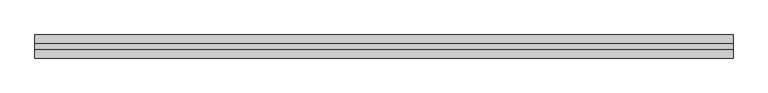
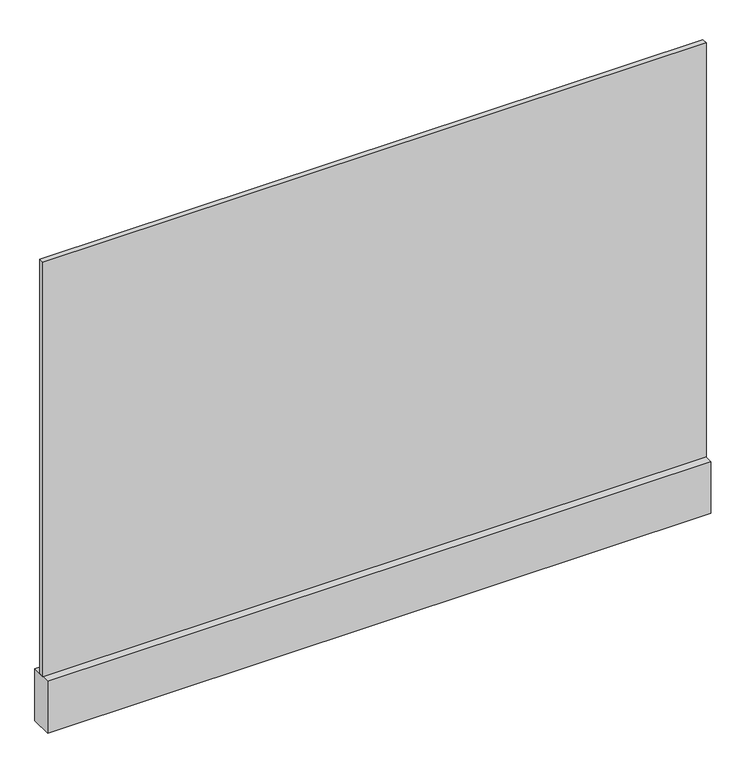
"""IFC4 building model written with IfcOpenShell, lengths in millimetres: plate geometry."""

from ifc_helpers import new_model, si_unit, frame, origin, origin_with_axes, place, context, project, spatial, polyline, outline, extrude, source, transform, mapped, element, save


def plate_bf09a1c6(model_context):
    return source(origin(), model_context, "Body", "SweptSolid", [
        extrude(outline(polyline([(-605.9309555, -5.0), (-605.9309555, 5.0), (605.9309555, 5.0), (605.9309555, -5.0), (-605.9309555, -5.0)])), frame((0.0, 0.0, 100.0), z_axis=(0.0, 0.0, 1.0), x_axis=(1.0, 0.0, 0.0)), (0.0, 0.0, 1.0), 800.0),
        extrude(outline(polyline([(-605.9309555, -20.0), (-605.9309555, 20.0), (605.9309555, 20.0), (605.9309555, -20.0), (-605.9309555, -20.0)])), origin_with_axes(), (0.0, 0.0, 1.0), 100.0),
    ])


if __name__ == "__main__":
    model = new_model("IFC4")
    model_context = context("Model", 3, world=origin())
    ifc_project = project(units=[si_unit("LENGTHUNIT", "METRE", prefix="MILLI")], contexts=[model_context])
    site = spatial("IfcSite", under=ifc_project)
    building = spatial("IfcBuilding", under=site)
    placement = place(None, origin())
    plate_shape = plate_bf09a1c6(model_context)
    element("IfcPlate", 1, at=placement, inside=building, context=model_context, shape_type="MappedRepresentation", body=[
        mapped(plate_shape, transform((0.0, 0.0, 0.0), x_axis=(1.0, 0.0, 0.0), y_axis=(0.0, 1.0, 0.0), z_axis=(0.0, 0.0, 1.0))),
    ])
    save(model, "model.ifc")
